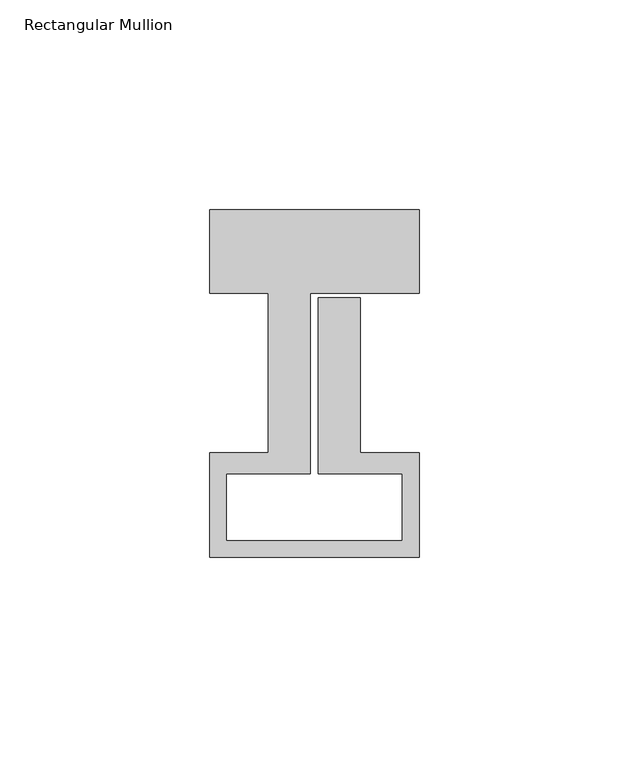
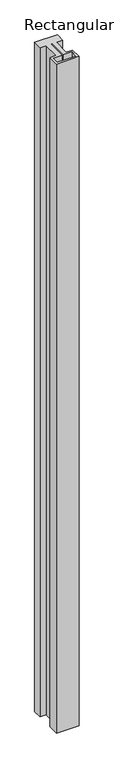
"""IFC4 building model written with IfcOpenShell, lengths in millimetres: member geometry, Rectangular Mullion."""

from ifc_helpers import new_model, si_unit, frame, origin, place, context, project, spatial, polyline, outline, extrude, source, transform, mapped, element, save


def rectangular_mullion_4fce0102(model_context):
    return source(origin(), model_context, "Body", "SweptSolid", [
        extrude(outline(polyline([(-50.0, 58.0), (0.0, 58.0), (0.0, 38.0), (-26.0, 38.0), (-26.0, -5.0), (-46.0, -5.0), (-46.0, -21.0), (-4.0, -21.0), (-4.0, -5.0), (-24.0, -5.0), (-24.0, 37.0), (-14.0, 37.0), (-14.0, -0.1), (0.0, -0.1), (0.0, -25.0), (-50.0, -25.0), (-50.0, -0.1), (-36.0, -0.1), (-36.0, 38.0), (-50.0, 38.0), (-50.0, 58.0)])), frame((0.0, 0.0, -1560.0), z_axis=(0.0, 0.0, 1.0), x_axis=(1.0, 0.0, 0.0)), (0.0, 0.0, 1.0), 1560.0),
    ])


if __name__ == "__main__":
    model = new_model("IFC4")
    model_context = context("Model", 3, world=origin())
    ifc_project = project(units=[si_unit("LENGTHUNIT", "METRE", prefix="MILLI")], contexts=[model_context])
    site = spatial("IfcSite", under=ifc_project)
    building = spatial("IfcBuilding", under=site)
    placement = place(None, origin())
    rectangular_mullion_shape = rectangular_mullion_4fce0102(model_context)
    element("IfcMember", 1, ObjectType="Rectangular Mullion", at=placement, inside=building, context=model_context, shape_type="MappedRepresentation", body=[
        mapped(rectangular_mullion_shape, transform((0.0, 0.0, 0.0), x_axis=(1.0, 0.0, 0.0), y_axis=(0.0, 1.0, 0.0), z_axis=(0.0, 0.0, 1.0))),
    ])
    save(model, "model.ifc")
